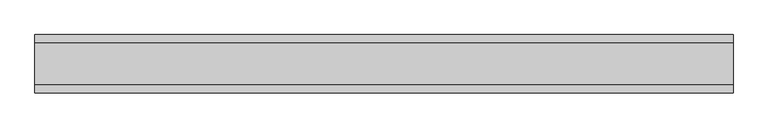
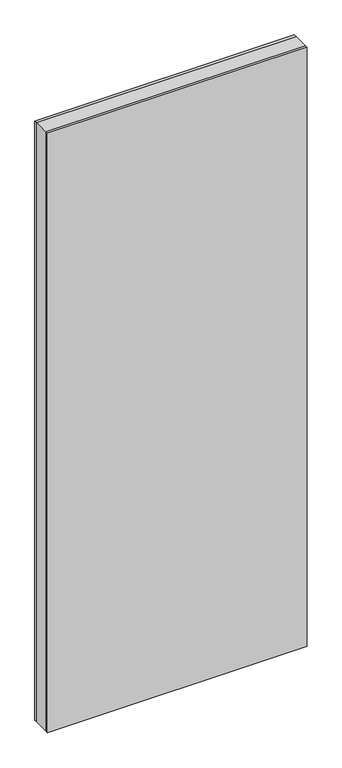
"""IFC4 building model written with IfcOpenShell, lengths in millimetres: plate geometry."""

from ifc_helpers import new_model, si_unit, origin, origin_with_axes, place, context, project, spatial, polyline, outline, extrude, source, transform, mapped, element, save


def plate_7d1ff0f9(model_context):
    return source(origin(), model_context, "Body", "SweptSolid", [
        extrude(outline(polyline([(600.0000002, 36.0), (600.0000002, -36.0), (-600.0000002, -36.0), (-600.0000002, 36.0), (600.0000002, 36.0)])), origin_with_axes(), (0.0, 0.0, 1.0), 2925.7),
        extrude(outline(polyline([(600.0000002, 50.0), (600.0000002, 36.0), (-600.0000002, 36.0), (-600.0000002, 50.0), (600.0000002, 50.0)])), origin_with_axes(), (0.0, 0.0, 1.0), 2925.7),
        extrude(outline(polyline([(600.0000002, -36.0), (600.0000002, -50.0), (-600.0000002, -50.0), (-600.0000002, -36.0), (600.0000002, -36.0)])), origin_with_axes(), (0.0, 0.0, 1.0), 2925.7),
    ])


if __name__ == "__main__":
    model = new_model("IFC4")
    model_context = context("Model", 3, world=origin())
    ifc_project = project(units=[si_unit("LENGTHUNIT", "METRE", prefix="MILLI")], contexts=[model_context])
    site = spatial("IfcSite", under=ifc_project)
    building = spatial("IfcBuilding", under=site)
    placement = place(None, origin())
    plate_shape = plate_7d1ff0f9(model_context)
    element("IfcPlate", 1, at=placement, inside=building, context=model_context, shape_type="MappedRepresentation", body=[
        mapped(plate_shape, transform((0.0, 0.0, 0.0), x_axis=(1.0, 0.0, 0.0), y_axis=(0.0, 1.0, 0.0), z_axis=(0.0, 0.0, 1.0))),
    ])
    save(model, "model.ifc")
